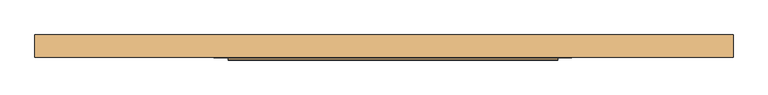
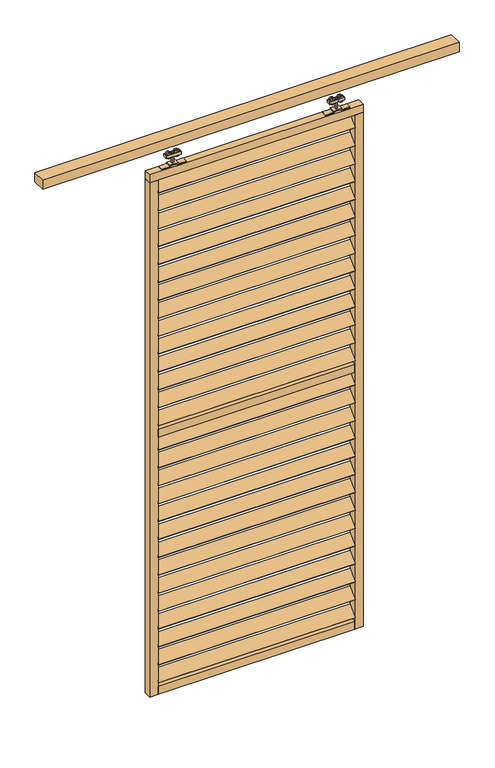
"""IFC4 building model written with IfcOpenShell, lengths in millimetres: door geometry."""

from ifc_helpers import new_model, si_unit, point, frame, frame_2d, origin, place, context, project, spatial, polyline, circle_curve, trimmed, segment, composite_curve, outline, extrude, source, transform, mapped, element, save


def door_6fecd0f4(model_context):
    return source(origin(), model_context, "Body", "SweptSolid", [
        extrude(outline(polyline([(0.0, -5.0), (0.0, 0.0), (920.0, 0.0), (920.0, -5.0), (0.0, -5.0)])), frame((-362.5, -24.1880102, 2407.3651835), z_axis=(0.0, 0.7071067811865482, 0.707106781186547), x_axis=(1.0, 0.0, 0.0)), (0.0, 0.0, 1.0), 60.0),
        extrude(outline(polyline([(0.0, -5.0), (0.0, 0.0), (920.0, 0.0), (920.0, -5.0), (0.0, -5.0)])), frame((-362.5, -24.1880102, 2318.7113373), z_axis=(0.0, 0.7071067811865482, 0.707106781186547), x_axis=(1.0, 0.0, 0.0)), (0.0, 0.0, 1.0), 60.0),
        extrude(outline(polyline([(0.0, -5.0000001), (0.0, 0.0), (920.0, 0.0), (920.0, -5.0000001), (0.0, -5.0000001)])), frame((-362.5, -24.1880102, 2230.0574911), z_axis=(0.0, 0.7071067811865482, 0.707106781186547), x_axis=(1.0, 0.0, 0.0)), (0.0, 0.0, 1.0), 60.0),
        extrude(outline(polyline([(0.0, -5.0), (0.0, 0.0), (920.0, 0.0), (920.0, -5.0), (0.0, -5.0)])), frame((-362.5, -24.1880102, 1134.8651835), z_axis=(0.0, 0.7071067811865482, 0.707106781186547), x_axis=(1.0, 0.0, 0.0)), (0.0, 0.0, 1.0), 60.0),
        extrude(outline(polyline([(0.0, -5.0), (0.0, 0.0), (920.0, 0.0), (920.0, -5.0), (0.0, -5.0)])), frame((-362.5, -24.1880102, 1046.2113373), z_axis=(0.0, 0.7071067811865482, 0.707106781186547), x_axis=(1.0, 0.0, 0.0)), (0.0, 0.0, 1.0), 60.0),
        extrude(outline(polyline([(0.0, -5.0000001), (0.0, 0.0), (920.0, 0.0), (920.0, -5.0000001), (0.0, -5.0000001)])), frame((-362.5, -24.1880102, 957.5574911), z_axis=(0.0, 0.7071067811865482, 0.707106781186547), x_axis=(1.0, 0.0, 0.0)), (0.0, 0.0, 1.0), 60.0),
        extrude(outline(polyline([(0.0, -5.0), (0.0, 0.0), (920.0, 0.0), (920.0, -5.0), (0.0, -5.0)])), frame((-362.5, -24.1880102, 2141.403645), z_axis=(0.0, 0.7071067811865482, 0.707106781186547), x_axis=(1.0, 0.0, 0.0)), (0.0, 0.0, 1.0), 60.0),
        extrude(outline(polyline([(0.0, -5.0), (0.0, 0.0), (920.0, 0.0), (920.0, -5.0), (0.0, -5.0)])), frame((-362.5, -24.1880102, 2052.7497988), z_axis=(0.0, 0.7071067811865482, 0.707106781186547), x_axis=(1.0, 0.0, 0.0)), (0.0, 0.0, 1.0), 60.0),
        extrude(outline(polyline([(0.0, -5.0), (0.0, 0.0), (920.0, 0.0), (920.0, -5.0), (0.0, -5.0)])), frame((-362.5, -24.1880102, 1964.0959527), z_axis=(0.0, 0.7071067811865482, 0.707106781186547), x_axis=(1.0, 0.0, 0.0)), (0.0, 0.0, 1.0), 60.0),
        extrude(outline(polyline([(0.0, -5.0), (0.0, 0.0), (920.0, 0.0), (920.0, -5.0), (0.0, -5.0)])), frame((-362.5, -24.1880102, 1875.4421065), z_axis=(0.0, 0.7071067811865482, 0.707106781186547), x_axis=(1.0, 0.0, 0.0)), (0.0, 0.0, 1.0), 60.0),
        extrude(outline(polyline([(0.0, -5.0), (0.0, 0.0), (920.0, 0.0), (920.0, -5.0), (0.0, -5.0)])), frame((-362.5, -24.1880102, 868.903645), z_axis=(0.0, 0.7071067811865482, 0.707106781186547), x_axis=(1.0, 0.0, 0.0)), (0.0, 0.0, 1.0), 60.0),
        extrude(outline(polyline([(0.0, -5.0), (0.0, 0.0), (920.0, 0.0), (920.0, -5.0), (0.0, -5.0)])), frame((-362.5, -24.1880102, 780.2497988), z_axis=(0.0, 0.7071067811865482, 0.707106781186547), x_axis=(1.0, 0.0, 0.0)), (0.0, 0.0, 1.0), 60.0),
        extrude(outline(polyline([(0.0, -5.0), (0.0, 0.0), (920.0, 0.0), (920.0, -5.0), (0.0, -5.0)])), frame((-362.5, -24.1880102, 691.5959527), z_axis=(0.0, 0.7071067811865482, 0.707106781186547), x_axis=(1.0, 0.0, 0.0)), (0.0, 0.0, 1.0), 60.0),
        extrude(outline(polyline([(0.0, -5.0), (0.0, 0.0), (920.0, 0.0), (920.0, -5.0), (0.0, -5.0)])), frame((-362.5, -24.1880102, 602.9421065), z_axis=(0.0, 0.7071067811865482, 0.707106781186547), x_axis=(1.0, 0.0, 0.0)), (0.0, 0.0, 1.0), 60.0),
        extrude(outline(polyline([(0.0, -5.0), (0.0, 0.0), (920.0, 0.0), (920.0, -5.0), (0.0, -5.0)])), frame((-362.5, -24.1880102, 1786.7882604), z_axis=(0.0, 0.7071067811865482, 0.707106781186547), x_axis=(1.0, 0.0, 0.0)), (0.0, 0.0, 1.0), 60.0),
        extrude(outline(polyline([(0.0, -5.0), (0.0, 0.0), (920.0, 0.0), (920.0, -5.0), (0.0, -5.0)])), frame((-362.5, -24.1880102, 1698.1344142), z_axis=(0.0, 0.7071067811865482, 0.707106781186547), x_axis=(1.0, 0.0, 0.0)), (0.0, 0.0, 1.0), 60.0),
        extrude(outline(polyline([(0.0, -5.0), (0.0, 0.0), (920.0, 0.0), (920.0, -5.0), (0.0, -5.0)])), frame((-362.5, -24.1880102, 1609.4805681), z_axis=(0.0, 0.7071067811865482, 0.707106781186547), x_axis=(1.0, 0.0, 0.0)), (0.0, 0.0, 1.0), 60.0),
        extrude(outline(polyline([(0.0, -5.0), (0.0, 0.0), (920.0, 0.0), (920.0, -5.0), (0.0, -5.0)])), frame((-362.5, -24.1880102, 1520.8267219), z_axis=(0.0, 0.7071067811865482, 0.707106781186547), x_axis=(1.0, 0.0, 0.0)), (0.0, 0.0, 1.0), 60.0),
        extrude(outline(polyline([(0.0, -5.0), (0.0, 0.0), (920.0, 0.0), (920.0, -5.0), (0.0, -5.0)])), frame((-362.5, -24.1880102, 1432.1728758), z_axis=(0.0, 0.7071067811865482, 0.707106781186547), x_axis=(1.0, 0.0, 0.0)), (0.0, 0.0, 1.0), 60.0),
        extrude(outline(polyline([(0.0, -5.0), (0.0, 0.0), (920.0, 0.0), (920.0, -5.0), (0.0, -5.0)])), frame((-362.5, -24.1880102, 2496.0190296), z_axis=(0.0, 0.7071067811865482, 0.707106781186547), x_axis=(1.0, 0.0, 0.0)), (0.0, 0.0, 1.0), 60.0),
        extrude(outline(polyline([(0.0, -5.0), (0.0, 0.0), (920.0, 0.0), (920.0, -5.0), (0.0, -5.0)])), frame((-362.5, -24.1880102, 1343.5190296), z_axis=(0.0, 0.7071067811865482, 0.707106781186547), x_axis=(1.0, 0.0, 0.0)), (0.0, 0.0, 1.0), 60.0),
        extrude(outline(polyline([(0.0, -5.0), (0.0, 0.0), (920.0, 0.0), (920.0, -5.0), (0.0, -5.0)])), frame((-362.5, -24.1880102, 514.2882604), z_axis=(0.0, 0.7071067811865482, 0.707106781186547), x_axis=(1.0, 0.0, 0.0)), (0.0, 0.0, 1.0), 60.0),
        extrude(outline(polyline([(0.0, -5.0), (0.0, 0.0), (920.0, 0.0), (920.0, -5.0), (0.0, -5.0)])), frame((-362.5, -24.1880102, 425.6344142), z_axis=(0.0, 0.7071067811865482, 0.707106781186547), x_axis=(1.0, 0.0, 0.0)), (0.0, 0.0, 1.0), 60.0),
        extrude(outline(polyline([(0.0, -5.0), (0.0, 0.0), (920.0, 0.0), (920.0, -5.0), (0.0, -5.0)])), frame((-362.5, -24.1880102, 336.9805681), z_axis=(0.0, 0.7071067811865482, 0.707106781186547), x_axis=(1.0, 0.0, 0.0)), (0.0, 0.0, 1.0), 60.0),
        extrude(outline(polyline([(0.0, -5.0), (0.0, 0.0), (920.0, 0.0), (920.0, -5.0), (0.0, -5.0)])), frame((-362.5, -24.1880102, 248.3267219), z_axis=(0.0, 0.7071067811865482, 0.707106781186547), x_axis=(1.0, 0.0, 0.0)), (0.0, 0.0, 1.0), 60.0),
        extrude(outline(polyline([(0.0, -5.0), (0.0, 0.0), (920.0, 0.0), (920.0, -5.0), (0.0, -5.0)])), frame((-362.5, -24.1880102, 159.6728758), z_axis=(0.0, 0.7071067811865482, 0.707106781186547), x_axis=(1.0, 0.0, 0.0)), (0.0, 0.0, 1.0), 60.0),
        extrude(outline(polyline([(0.0, -5.0), (0.0, 0.0), (920.0, 0.0), (920.0, -5.0), (0.0, -5.0)])), frame((-362.5, -24.1880102, 1223.5190296), z_axis=(0.0, 0.7071067811865482, 0.707106781186547), x_axis=(1.0, 0.0, 0.0)), (0.0, 0.0, 1.0), 60.0),
        extrude(outline(polyline([(0.0, -5.0), (0.0, 0.0), (920.0, 0.0), (920.0, -5.0), (0.0, -5.0)])), frame((-362.5, -24.1880102, 71.0190296), z_axis=(0.0, 0.7071067811865482, 0.707106781186547), x_axis=(1.0, 0.0, 0.0)), (0.0, 0.0, 1.0), 60.0),
        extrude(outline(polyline([(557.5, -22.2425737), (-362.5, -22.2425737), (-362.5, 12.7574263), (557.5, 12.7574263), (557.5, -22.2425737)])), frame((0.0, 0.0, 1286.5), z_axis=(0.0, 0.0, 1.0), x_axis=(1.0, 0.0, 0.0)), (0.0, 0.0, 1.0), 40.0),
        extrude(outline(polyline([(557.5, -22.2425737), (-362.5, -22.2425737), (-362.5, 12.7574263), (557.5, 12.7574263), (557.5, -22.2425737)])), frame((0.0, 0.0, 14.0), z_axis=(0.0, 0.0, 1.0), x_axis=(1.0, 0.0, 0.0)), (0.0, 0.0, 1.0), 40.0),
        extrude(outline(polyline([(597.5, -22.2425737), (-402.5, -22.2425737), (-402.5, 12.7574263), (597.5, 12.7574263), (597.5, -22.2425737)])), frame((0.0, 0.0, 2559.0), z_axis=(0.0, 0.0, 1.0), x_axis=(1.0, 0.0, 0.0)), (0.0, 0.0, 1.0), 40.0),
        extrude(outline(polyline([(-362.5, -22.2425737), (-402.5, -22.2425737), (-402.5, 12.7574263), (-362.5, 12.7574263), (-362.5, -22.2425737)])), frame((0.0, 0.0, 14.0), z_axis=(0.0, 0.0, 1.0), x_axis=(1.0, 0.0, 0.0)), (0.0, 0.0, 1.0), 2545.0),
        extrude(outline(polyline([(597.5, -22.2425737), (557.5, -22.2425737), (557.5, 12.7574263), (597.5, 12.7574263), (597.5, -22.2425737)])), frame((0.0, 0.0, 14.0), z_axis=(0.0, 0.0, 1.0), x_axis=(1.0, 0.0, 0.0)), (0.0, 0.0, 1.0), 2545.0),
        extrude(outline(composite_curve([segment(trimmed(circle_curve(frame_2d((2652.430297, -304.25)), 13.5), [point((2652.430297, -317.75))], [point((2652.430297, -290.75))], False, "CARTESIAN"), True, "CONTINUOUS"), segment(trimmed(circle_curve(frame_2d((2652.430297, -304.25)), 13.5), [point((2652.430297, -290.75))], [point((2652.430297, -317.75))], False, "CARTESIAN"), True, "CONTINUOUS")], self_intersect=False)), frame((0.0, -13.9509888, 0.0), z_axis=(0.0, 1.0, 0.0), x_axis=(0.0, 0.0, 1.0)), (0.0, 0.0, 1.0), 5.2084151),
        extrude(outline(composite_curve([segment(trimmed(circle_curve(frame_2d((2652.430297, -266.75)), 13.5), [point((2652.430297, -253.25))], [point((2652.430297, -280.25))], False, "CARTESIAN"), True, "CONTINUOUS"), segment(trimmed(circle_curve(frame_2d((2652.430297, -266.75)), 13.5), [point((2652.430297, -280.25))], [point((2652.430297, -253.25))], False, "CARTESIAN"), True, "CONTINUOUS")], self_intersect=False)), frame((0.0, -13.9509888, 0.0), z_axis=(0.0, 1.0, 0.0), x_axis=(0.0, 0.0, 1.0)), (0.0, 0.0, 1.0), 5.2084151),
        extrude(outline(composite_curve([segment(trimmed(circle_curve(frame_2d((2652.430297, -304.25)), 13.5), [point((2652.430297, -317.75))], [point((2652.430297, -290.75))], False, "CARTESIAN"), True, "CONTINUOUS"), segment(trimmed(circle_curve(frame_2d((2652.430297, -304.25)), 13.5), [point((2652.430297, -290.75))], [point((2652.430297, -317.75))], False, "CARTESIAN"), True, "CONTINUOUS")], self_intersect=False)), frame((0.0, -0.7425737, 0.0), z_axis=(0.0, 1.0, 0.0), x_axis=(0.0, 0.0, 1.0)), (0.0, 0.0, 1.0), 5.0880554),
        extrude(outline(composite_curve([segment(trimmed(circle_curve(frame_2d((2652.430297, -266.75)), 13.5), [point((2652.430297, -253.25))], [point((2652.430297, -280.25))], False, "CARTESIAN"), True, "CONTINUOUS"), segment(trimmed(circle_curve(frame_2d((2652.430297, -266.75)), 13.5), [point((2652.430297, -280.25))], [point((2652.430297, -253.25))], False, "CARTESIAN"), True, "CONTINUOUS")], self_intersect=False)), frame((0.0, -0.7425737, 0.0), z_axis=(0.0, 1.0, 0.0), x_axis=(0.0, 0.0, 1.0)), (0.0, 0.0, 1.0), 5.0880554),
        extrude(outline(polyline([(-320.5, -15.2425737), (-320.5, 5.7574263), (-250.5, 5.7574263), (-250.5, -15.2425737), (-320.5, -15.2425737)])), frame((0.0, 0.0, 2644.5), z_axis=(0.0, 0.0, 1.0), x_axis=(1.0, 0.0, 0.0)), (0.0, 0.0, 1.0), 13.0),
        extrude(outline(polyline([(-289.5, -8.7425737), (-289.5, -0.7425737), (-281.5, -0.7425737), (-281.5, -8.7425737), (-289.5, -8.7425737)])), frame((0.0, 0.0, 2603.0), z_axis=(0.0, 0.0, 1.0), x_axis=(1.0, 0.0, 0.0)), (0.0, 0.0, 1.0), 56.0),
        extrude(outline(polyline([(2603.0, -228.5), (2603.0, -266.5), (2609.0, -266.5), (2609.0, -304.5), (2603.0, -304.5), (2603.0, -342.5), (2599.0, -342.5), (2599.0, -300.5), (2605.0, -300.5), (2605.0, -270.5), (2599.0, -270.5), (2599.0, -228.5), (2603.0, -228.5)])), frame((0.0, -17.7425737, 0.0), z_axis=(0.0, 1.0, 0.0), x_axis=(0.0, 0.0, 1.0)), (0.0, 0.0, 1.0), 26.0),
        extrude(outline(composite_curve([segment(trimmed(circle_curve(frame_2d((2652.430297, 499.25)), 13.5), [point((2652.430297, 512.75))], [point((2652.430297, 485.75))], False, "CARTESIAN"), True, "CONTINUOUS"), segment(trimmed(circle_curve(frame_2d((2652.430297, 499.25)), 13.5), [point((2652.430297, 485.75))], [point((2652.430297, 512.75))], False, "CARTESIAN"), True, "CONTINUOUS")], self_intersect=False)), frame((0.0, -13.9509888, 0.0), z_axis=(0.0, 1.0, 0.0), x_axis=(0.0, 0.0, 1.0)), (0.0, 0.0, 1.0), 5.2084151),
        extrude(outline(composite_curve([segment(trimmed(circle_curve(frame_2d((2652.430297, 461.75)), 13.5), [point((2652.430297, 448.25))], [point((2652.430297, 475.25))], False, "CARTESIAN"), True, "CONTINUOUS"), segment(trimmed(circle_curve(frame_2d((2652.430297, 461.75)), 13.5), [point((2652.430297, 475.25))], [point((2652.430297, 448.25))], False, "CARTESIAN"), True, "CONTINUOUS")], self_intersect=False)), frame((0.0, -13.9509888, 0.0), z_axis=(0.0, 1.0, 0.0), x_axis=(0.0, 0.0, 1.0)), (0.0, 0.0, 1.0), 5.2084151),
        extrude(outline(composite_curve([segment(trimmed(circle_curve(frame_2d((2652.430297, 499.25)), 13.5), [point((2652.430297, 512.75))], [point((2652.430297, 485.75))], False, "CARTESIAN"), True, "CONTINUOUS"), segment(trimmed(circle_curve(frame_2d((2652.430297, 499.25)), 13.5), [point((2652.430297, 485.75))], [point((2652.430297, 512.75))], False, "CARTESIAN"), True, "CONTINUOUS")], self_intersect=False)), frame((0.0, -0.7425737, 0.0), z_axis=(0.0, 1.0, 0.0), x_axis=(0.0, 0.0, 1.0)), (0.0, 0.0, 1.0), 5.0880554),
        extrude(outline(composite_curve([segment(trimmed(circle_curve(frame_2d((2652.430297, 461.75)), 13.5), [point((2652.430297, 448.25))], [point((2652.430297, 475.25))], False, "CARTESIAN"), True, "CONTINUOUS"), segment(trimmed(circle_curve(frame_2d((2652.430297, 461.75)), 13.5), [point((2652.430297, 475.25))], [point((2652.430297, 448.25))], False, "CARTESIAN"), True, "CONTINUOUS")], self_intersect=False)), frame((0.0, -0.7425737, 0.0), z_axis=(0.0, 1.0, 0.0), x_axis=(0.0, 0.0, 1.0)), (0.0, 0.0, 1.0), 5.0880554),
        extrude(outline(polyline([(515.5, -15.2425737), (445.5, -15.2425737), (445.5, 5.7574263), (515.5, 5.7574263), (515.5, -15.2425737)])), frame((0.0, 0.0, 2644.5), z_axis=(0.0, 0.0, 1.0), x_axis=(1.0, 0.0, 0.0)), (0.0, 0.0, 1.0), 13.0),
        extrude(outline(polyline([(484.5, -8.7425737), (476.5, -8.7425737), (476.5, -0.7425737), (484.5, -0.7425737), (484.5, -8.7425737)])), frame((0.0, 0.0, 2603.0), z_axis=(0.0, 0.0, 1.0), x_axis=(1.0, 0.0, 0.0)), (0.0, 0.0, 1.0), 56.0),
        extrude(outline(polyline([(2603.0, 423.5), (2599.0, 423.5), (2599.0, 465.5), (2605.0, 465.5), (2605.0, 495.5), (2599.0, 495.5), (2599.0, 537.5), (2603.0, 537.5), (2603.0, 499.5), (2609.0, 499.5), (2609.0, 461.5), (2603.0, 461.5), (2603.0, 423.5)])), frame((0.0, -17.7425737, 0.0), z_axis=(0.0, 1.0, 0.0), x_axis=(0.0, 0.0, 1.0)), (0.0, 0.0, 1.0), 26.0),
        extrude(outline(polyline([(1047.5, 42.0), (1047.5, -19.7), (-902.5, -19.7), (-902.5, 42.0), (1047.5, 42.0)])), frame((0.0, 0.0, 2700.0), z_axis=(0.0, 0.0, 1.0), x_axis=(1.0, 0.0, 0.0)), (0.0, 0.0, 1.0), 45.0),
    ])


if __name__ == "__main__":
    model = new_model("IFC4")
    model_context = context("Model", 3, world=origin())
    ifc_project = project(units=[si_unit("LENGTHUNIT", "METRE", prefix="MILLI")], contexts=[model_context])
    site = spatial("IfcSite", under=ifc_project)
    building = spatial("IfcBuilding", under=site)
    placement = place(None, origin())
    door_shape = door_6fecd0f4(model_context)
    element("IfcDoor", 1, at=placement, inside=building, context=model_context, shape_type="MappedRepresentation", body=[
        mapped(door_shape, transform((0.0, 0.0, 0.0), x_axis=(1.0, 0.0, 0.0), y_axis=(0.0, 1.0, 0.0), z_axis=(0.0, 0.0, 1.0))),
    ])
    save(model, "model.ifc")
